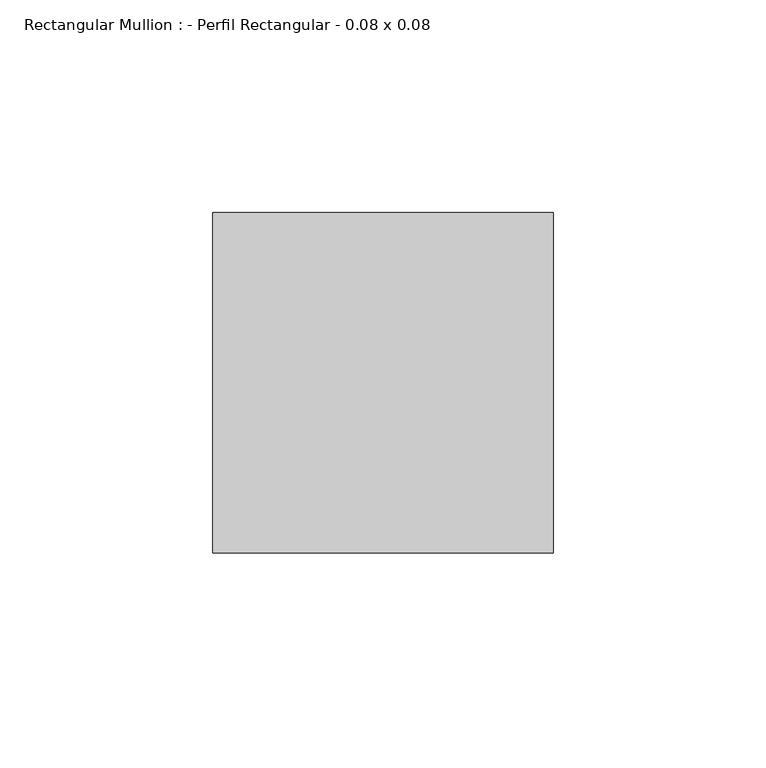
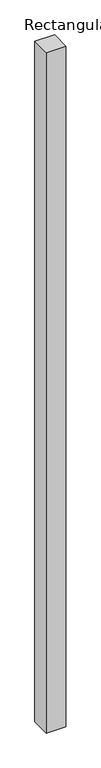
"""IFC4 building model written with IfcOpenShell, lengths in millimetres: member geometry, Rectangular Mullion : - Perfil Rectangular - 0.08 x 0.08."""

from ifc_helpers import new_model, si_unit, frame, origin, place, context, project, spatial, polyline, outline, extrude, source, transform, mapped, element, save


def rectangular_mullion_perfil_rectangular_0_08_x_0_08_6830c43a(model_context):
    return source(origin(), model_context, "Body", "SweptSolid", [
        extrude(outline(polyline([(-80.0, 80.0), (0.0, 80.0), (0.0, 0.0), (-80.0, 0.0), (-80.0, 80.0)])), frame((0.0, 0.0, -2920.0), z_axis=(0.0, 0.0, 1.0), x_axis=(1.0, 0.0, 0.0)), (0.0, 0.0, 1.0), 2920.0),
    ])


if __name__ == "__main__":
    model = new_model("IFC4")
    model_context = context("Model", 3, world=origin())
    ifc_project = project(units=[si_unit("LENGTHUNIT", "METRE", prefix="MILLI")], contexts=[model_context])
    site = spatial("IfcSite", under=ifc_project)
    building = spatial("IfcBuilding", under=site)
    placement = place(None, origin())
    rectangular_mullion_perfil_rectangular_0_08_x_0_08_shape = rectangular_mullion_perfil_rectangular_0_08_x_0_08_6830c43a(model_context)
    element("IfcMember", 1, ObjectType="Rectangular Mullion : - Perfil Rectangular - 0.08 x 0.08", at=placement, inside=building, context=model_context, shape_type="MappedRepresentation", body=[
        mapped(rectangular_mullion_perfil_rectangular_0_08_x_0_08_shape, transform((0.0, 0.0, 0.0), x_axis=(1.0, 0.0, 0.0), y_axis=(0.0, 1.0, 0.0), z_axis=(0.0, 0.0, 1.0))),
    ])
    save(model, "model.ifc")
